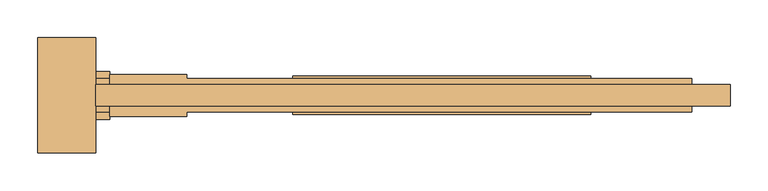
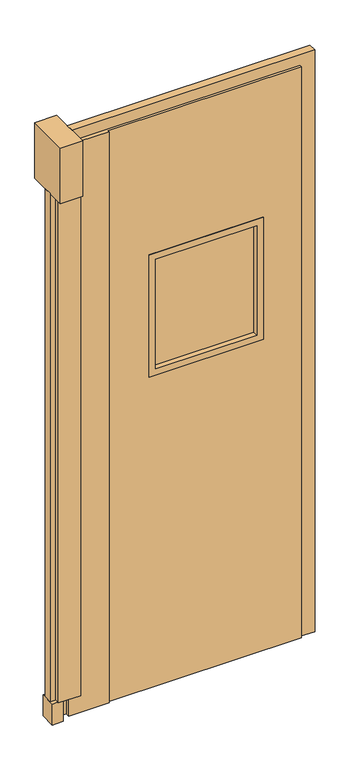
"""IFC4 building model written with IfcOpenShell, lengths in millimetres: door geometry."""

from ifc_helpers import new_model, si_unit, frame, origin, origin_with_axes, place, context, project, spatial, polyline, outline, extrude, faceted_brep, source, transform, mapped, element, save


def door_224069c2(model_context):
    return source(origin(), model_context, "Body", "SolidModel", [
        faceted_brep([(1270.9406968, -884.8660438, 1930.4), (1232.8406968, -884.8660438, 1930.4), (1232.8406968, -884.8660438, 76.2), (1270.9406968, -884.8660438, 76.2), (2039.2906968, -884.8660438, 12.7), (2039.2906968, -884.8660438, 2095.5), (1372.5406968, -884.8660438, 2095.5), (1372.5406968, -884.8660438, 12.7), (1886.8906968, -884.8660438, 1574.8), (1886.8906968, -884.8660438, 1168.4), (1531.2906968, -884.8660438, 1168.4), (1531.2906968, -884.8660438, 1574.8), (2039.2906968, -840.4160438, 2095.5), (2039.2906968, -840.4160438, 12.7), (1372.5406968, -840.4160438, 12.7), (1372.5406968, -840.4160438, 2095.5), (1886.8906968, -840.4160438, 1574.8), (1531.2906968, -840.4160438, 1574.8), (1531.2906968, -840.4160438, 1168.4), (1886.8906968, -840.4160438, 1168.4), (1232.8406968, -840.4160438, 1930.4), (1270.9406968, -840.4160438, 1930.4), (1270.9406968, -840.4160438, 76.2), (1232.8406968, -840.4160438, 76.2), (1372.5406968, -834.8597938, 2095.5), (1270.9406968, -834.8597938, 2095.5), (1270.9406968, -890.4222938, 2095.5), (1372.5406968, -890.4222938, 2095.5), (1270.9406968, -834.8597938, 76.2), (1270.9406968, -890.4222938, 76.2), (1232.8406968, -834.8597938, 76.2), (1232.8406968, -834.8597938, 12.7), (1232.8406968, -890.4222938, 12.7), (1232.8406968, -890.4222938, 76.2), (1372.5406968, -834.8597938, 12.7), (1372.5406968, -890.4222938, 12.7)], [[[0, 1, 2, 3]], [[4, 5, 6, 7], [8, 9, 10, 11]], [[12, 13, 14, 15], [16, 17, 18, 19]], [[20, 21, 22, 23]], [[5, 12, 15, 24, 25, 26, 27, 6]], [[26, 25, 28, 22, 21, 0, 3, 29]], [[1, 0, 21, 20]], [[1, 20, 23, 30, 31, 32, 33, 2]], [[32, 31, 34, 14, 13, 4, 7, 35]], [[5, 4, 13, 12]], [[9, 8, 16, 19]], [[10, 9, 19, 18]], [[11, 10, 18, 17]], [[8, 11, 17, 16]], [[35, 27, 26, 29, 33, 32]], [[34, 31, 30, 28, 25, 24]], [[27, 35, 7, 6]], [[34, 24, 15, 14]], [[33, 29, 3, 2]], [[28, 30, 23, 22]]]),
        extrude(outline(polyline([(1213.7906968, -890.4222938), (1175.6906968, -890.4222938), (1175.6906968, -834.8597938), (1213.7906968, -834.8597938), (1213.7906968, -890.4222938)])), origin_with_axes(), (0.0, 0.0, 1.0), 76.2),
        extrude(outline(polyline([(2095.5, 2039.2906968), (12.7, 2039.2906968), (12.7, 2090.0906968), (2133.6, 2090.0906968), (2133.6, 1251.8906968), (1930.4, 1251.8906968), (1930.4, 1270.9406968), (2095.5, 1270.9406968), (2095.5, 2039.2906968)])), frame((0.0, -877.0932133, 0.0), z_axis=(0.0, 1.0, 0.0), x_axis=(0.0, 0.0, 1.0)), (0.0, 0.0, 1.0), 28.8005507),
        extrude(outline(polyline([(1194.7406968, -877.0932133), (1175.6906968, -877.0932133), (1175.6906968, -848.2926626), (1194.7406968, -848.2926626), (1194.7406968, -877.0932133)])), frame((0.0, 0.0, 76.2), z_axis=(0.0, 0.0, 1.0), x_axis=(1.0, 0.0, 0.0)), (0.0, 0.0, 1.0), 1854.2),
        extrude(outline(polyline([(1232.8406968, -877.0932133), (1213.7906968, -877.0932133), (1213.7906968, -848.2926626), (1232.8406968, -848.2926626), (1232.8406968, -877.0932133)])), frame((0.0, 0.0, 12.7), z_axis=(0.0, 0.0, 1.0), x_axis=(1.0, 0.0, 0.0)), (0.0, 0.0, 1.0), 63.5),
        extrude(outline(polyline([(1270.9406968, -894.3910438), (1194.7406968, -894.3910438), (1194.7406968, -830.8910438), (1270.9406968, -830.8910438), (1270.9406968, -894.3910438)])), frame((0.0, 0.0, 76.2), z_axis=(0.0, 0.0, 1.0), x_axis=(1.0, 0.0, 0.0)), (0.0, 0.0, 1.0), 1854.2),
        extrude(outline(polyline([(1251.8906968, -938.8410438), (1175.6906968, -938.8410438), (1175.6906968, -786.4410438), (1251.8906968, -786.4410438), (1251.8906968, -938.8410438)])), frame((0.0, 0.0, 1930.4), z_axis=(0.0, 0.0, 1.0), x_axis=(1.0, 0.0, 0.0)), (0.0, 0.0, 1.0), 203.2),
        extrude(outline(polyline([(1883.7156968, -868.9910438), (1534.4656968, -868.9910438), (1534.4656968, -856.2910438), (1883.7156968, -856.2910438), (1883.7156968, -868.9910438)])), frame((0.0, 0.0, 1171.575), z_axis=(0.0, 0.0, 1.0), x_axis=(1.0, 0.0, 0.0)), (0.0, 0.0, 1.0), 400.05),
        extrude(outline(polyline([(1593.85, 1905.9406968), (1593.85, 1512.2406968), (1149.35, 1512.2406968), (1149.35, 1905.9406968), (1593.85, 1905.9406968)]), holes=[polyline([(1171.575, 1883.7156968), (1171.575, 1534.4656968), (1571.625, 1534.4656968), (1571.625, 1883.7156968), (1171.575, 1883.7156968)])]), frame((0.0, -888.0410438, 0.0), z_axis=(0.0, 1.0, 0.0), x_axis=(0.0, 0.0, 1.0)), (0.0, 0.0, 1.0), 50.8),
    ])


if __name__ == "__main__":
    model = new_model("IFC4")
    model_context = context("Model", 3, world=origin())
    ifc_project = project(units=[si_unit("LENGTHUNIT", "METRE", prefix="MILLI")], contexts=[model_context])
    site = spatial("IfcSite", under=ifc_project)
    building = spatial("IfcBuilding", under=site)
    placement = place(None, origin())
    door_shape = door_224069c2(model_context)
    element("IfcDoor", 1, at=placement, inside=building, context=model_context, shape_type="MappedRepresentation", body=[
        mapped(door_shape, transform((0.0, 0.0, 0.0), x_axis=(1.0, 0.0, 0.0), y_axis=(0.0, 1.0, 0.0), z_axis=(0.0, 0.0, 1.0))),
    ])
    save(model, "model.ifc")
